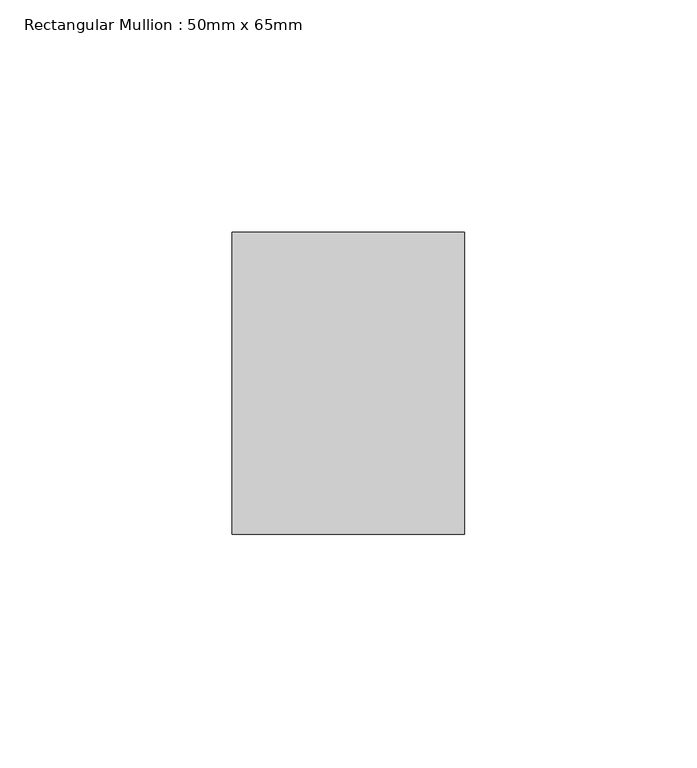
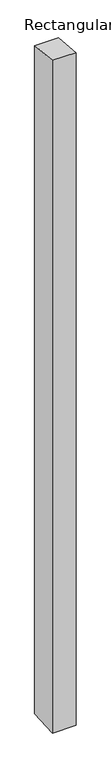
"""IFC4 building model written with IfcOpenShell, lengths in millimetres: member geometry, Rectangular Mullion : 50mm x 65mm."""

from ifc_helpers import new_model, si_unit, frame, origin, place, context, project, spatial, polyline, outline, extrude, source, transform, mapped, element, save


def rectangular_mullion_50mm_x_65mm_9cb6f27a(model_context):
    return source(origin(), model_context, "Body", "SweptSolid", [
        extrude(outline(polyline([(-32.5, 3.1469376), (32.5, -3.1469378), (32.5, -1497.8334281), (-32.5, -1502.165385), (-32.5, 3.1469376)])), frame((-25.0, 0.0, 0.0), z_axis=(1.0, 0.0, 0.0), x_axis=(0.0, 1.0, 0.0)), (0.0, 0.0, 1.0), 50.0),
    ])


if __name__ == "__main__":
    model = new_model("IFC4")
    model_context = context("Model", 3, world=origin())
    ifc_project = project(units=[si_unit("LENGTHUNIT", "METRE", prefix="MILLI")], contexts=[model_context])
    site = spatial("IfcSite", under=ifc_project)
    building = spatial("IfcBuilding", under=site)
    placement = place(None, origin())
    rectangular_mullion_50mm_x_65mm_shape = rectangular_mullion_50mm_x_65mm_9cb6f27a(model_context)
    element("IfcMember", 1, ObjectType="Rectangular Mullion : 50mm x 65mm", at=placement, inside=building, context=model_context, shape_type="MappedRepresentation", body=[
        mapped(rectangular_mullion_50mm_x_65mm_shape, transform((0.0, 0.0, 0.0), x_axis=(1.0, 0.0, 0.0), y_axis=(0.0, 1.0, 0.0), z_axis=(0.0, 0.0, 1.0))),
    ])
    save(model, "model.ifc")
